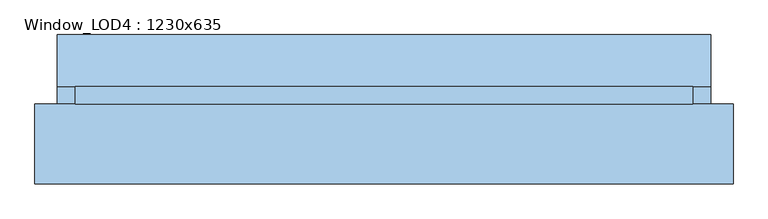
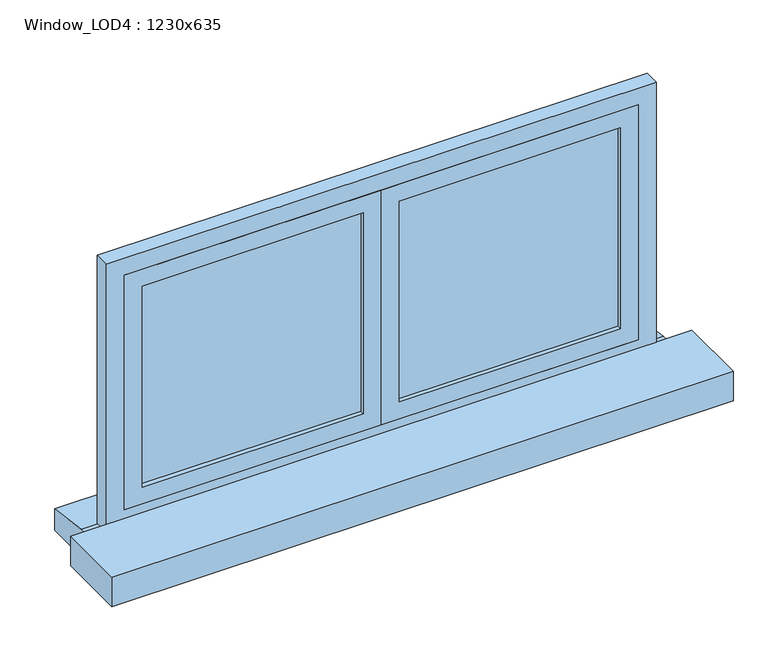
"""IFC4 building model written with IfcOpenShell, lengths in millimetres: window geometry, Window_LOD4 : 1230x635."""

from ifc_helpers import new_model, si_unit, frame, origin, place, context, project, spatial, polyline, outline, extrude, source, transform, mapped, element, save


def window_lod4_1230x635_dfb4fd09(model_context):
    return source(origin(), model_context, "Body", "SweptSolid", [
        extrude(outline(polyline([(535.0000246, 47.5), (40.0, 47.5), (40.0, 62.5), (535.0000246, 62.5), (535.0000246, 47.5)])), frame((0.0, 0.0, 880.0), z_axis=(0.0, 0.0, 1.0), x_axis=(1.0, 0.0, 0.0)), (0.0, 0.0, 1.0), 475.0000254),
        extrude(outline(polyline([(1395.0000254, 0.0), (840.0, 0.0), (840.0, 575.0000246), (1395.0000254, 575.0000246), (1395.0000254, 0.0)]), holes=[polyline([(1355.0000254, 40.0), (1355.0000254, 535.0000246), (880.0, 535.0000246), (880.0, 40.0), (1355.0000254, 40.0)])]), frame((0.0, 37.5, 0.0), z_axis=(0.0, 1.0, 0.0), x_axis=(0.0, 0.0, 1.0)), (0.0, 0.0, 1.0), 35.0),
        extrude(outline(polyline([(-40.0, 47.5), (-535.0000246, 47.5), (-535.0000246, 62.5), (-40.0, 62.5), (-40.0, 47.5)])), frame((0.0, 0.0, 880.0), z_axis=(0.0, 0.0, 1.0), x_axis=(1.0, 0.0, 0.0)), (0.0, 0.0, 1.0), 475.0000254),
        extrude(outline(polyline([(1395.0000254, -575.0000246), (840.0, -575.0000246), (840.0, 0.0), (1395.0000254, 0.0), (1395.0000254, -575.0000246)]), holes=[polyline([(1355.0000254, -535.0000246), (1355.0000254, -40.0), (880.0, -40.0), (880.0, -535.0000246), (1355.0000254, -535.0000246)])]), frame((0.0, 37.5, 0.0), z_axis=(0.0, 1.0, 0.0), x_axis=(0.0, 0.0, 1.0)), (0.0, 0.0, 1.0), 35.0),
        extrude(outline(polyline([(72.5, 800.0), (175.5574645, 785.0), (175.5574645, 735.0), (37.5, 735.0), (37.5, 800.0), (72.5, 800.0)])), frame((-650.8669325, 0.0, 0.0), z_axis=(1.0, 0.0, 0.0), x_axis=(0.0, 1.0, 0.0)), (0.0, 0.0, 1.0), 1301.733865),
        extrude(outline(polyline([(1435.0000254, -615.0000246), (800.0, -615.0000246), (800.0, 615.0000246), (1435.0000254, 615.0000246), (1435.0000254, -615.0000246)]), holes=[polyline([(1395.0000254, -575.0000246), (1395.0000254, 575.0000246), (840.0, 575.0000246), (840.0, -575.0000246), (1395.0000254, -575.0000246)])]), frame((0.0, 37.5, 0.0), z_axis=(0.0, 1.0, 0.0), x_axis=(0.0, 0.0, 1.0)), (0.0, 0.0, 1.0), 35.0),
        extrude(outline(polyline([(695.0000246, 37.5), (695.0000246, -122.1197928), (-695.0000246, -122.1197928), (-695.0000246, 37.5), (695.0000246, 37.5)])), frame((0.0, 0.0, 750.0), z_axis=(0.0, 0.0, 1.0), x_axis=(1.0, 0.0, 0.0)), (0.0, 0.0, 1.0), 70.0),
    ])


if __name__ == "__main__":
    model = new_model("IFC4")
    model_context = context("Model", 3, world=origin())
    ifc_project = project(units=[si_unit("LENGTHUNIT", "METRE", prefix="MILLI")], contexts=[model_context])
    site = spatial("IfcSite", under=ifc_project)
    building = spatial("IfcBuilding", under=site)
    placement = place(None, origin())
    window_lod4_1230x635_shape = window_lod4_1230x635_dfb4fd09(model_context)
    element("IfcWindow", 1, ObjectType="Window_LOD4 : 1230x635", at=placement, inside=building, context=model_context, shape_type="MappedRepresentation", body=[
        mapped(window_lod4_1230x635_shape, transform((0.0, 0.0, 0.0), x_axis=(1.0, 0.0, 0.0), y_axis=(0.0, 1.0, 0.0), z_axis=(0.0, 0.0, 1.0))),
    ])
    save(model, "model.ifc")
